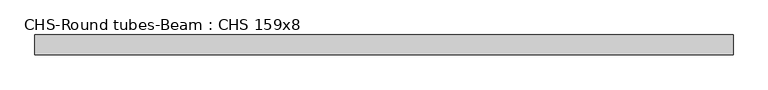
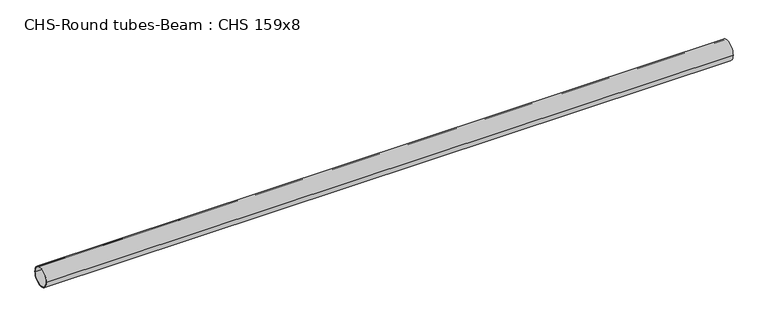
"""IFC4 building model written with IfcOpenShell, lengths in millimetres: beam geometry, CHS-Round tubes-Beam : CHS 159x8."""

from ifc_helpers import new_model, si_unit, point, frame, origin, origin_2d, place, context, project, spatial, circle_curve, trimmed, segment, composite_curve, outline, extrude, source, transform, mapped, element, save


def chs_round_tubes_beam_chs_159x8_2b74c710(model_context):
    return source(origin(), model_context, "Body", "SweptSolid", [
        extrude(outline(composite_curve([segment(trimmed(circle_curve(origin_2d(), 79.5), [point((79.5, 0.0))], [point((-79.5, 0.0))], False, "CARTESIAN"), True, "CONTINUOUS"), segment(trimmed(circle_curve(origin_2d(), 79.5), [point((-79.5, 0.0))], [point((79.5, 0.0))], False, "CARTESIAN"), True, "CONTINUOUS")], self_intersect=False), holes=[composite_curve([segment(trimmed(circle_curve(origin_2d(), 71.5), [point((71.5, 0.0))], [point((-71.5, 0.0))], True, "CARTESIAN"), True, "CONTINUOUS"), segment(trimmed(circle_curve(origin_2d(), 71.5), [point((-71.5, 0.0))], [point((71.5, 0.0))], True, "CARTESIAN"), True, "CONTINUOUS")], self_intersect=False)]), frame((-2815.2617319, 0.0, 0.0), z_axis=(1.0, 0.0, 0.0), x_axis=(0.0, 1.0, 0.0)), (0.0, 0.0, 1.0), 5547.7937508),
    ])


if __name__ == "__main__":
    model = new_model("IFC4")
    model_context = context("Model", 3, world=origin())
    ifc_project = project(units=[si_unit("LENGTHUNIT", "METRE", prefix="MILLI")], contexts=[model_context])
    site = spatial("IfcSite", under=ifc_project)
    building = spatial("IfcBuilding", under=site)
    placement = place(None, origin())
    chs_round_tubes_beam_chs_159x8_shape = chs_round_tubes_beam_chs_159x8_2b74c710(model_context)
    element("IfcBeam", 1, ObjectType="CHS-Round tubes-Beam : CHS 159x8", at=placement, inside=building, context=model_context, shape_type="MappedRepresentation", body=[
        mapped(chs_round_tubes_beam_chs_159x8_shape, transform((0.0, 0.0, 0.0), x_axis=(1.0, 0.0, 0.0), y_axis=(0.0, 1.0, 0.0), z_axis=(0.0, 0.0, 1.0))),
    ])
    save(model, "model.ifc")
